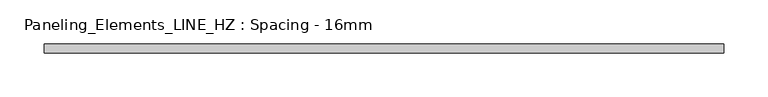
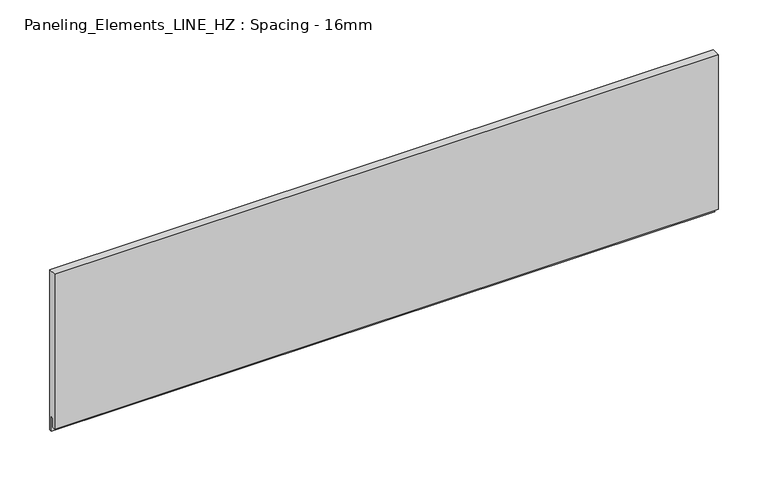
"""IFC4 building model written with IfcOpenShell, lengths in millimetres: plate geometry, Paneling_Elements_LINE_HZ : Spacing - 16mm."""

import ifcopenshell
import ifcopenshell.guid

model = None  # the IFC model being written
_history = None  # IfcOwnerHistory: only IFC2X3 demands one
_inside = {}  # id of a spatial element -> (the spatial element, [elements in it])
_under = {}  # id of a project, library or spatial element -> (it, [spatial elements below it])
_declared = {}  # id of a project -> (the project, [libraries it declares])
_typed = {}  # id of a type object -> (the type object, [elements of that type])
_made_of = {}  # id of a material, layer set ... -> (it, [elements and type objects made of it])


def new_model(schema):
    """Start an empty IFC model of exactly this schema.

    Asked for "IFC4X3", IfcOpenShell would pick the latest addendum, in which some entities
    have other attributes; the version numbers below select the first issue.
    IFC2X3 requires an IfcOwnerHistory on every rooted entity: one is made here for all.
    """
    global model, _history
    if schema == "IFC4X3":
        model = ifcopenshell.file(schema_version=(4, 3, 0, 0))
    else:
        model = ifcopenshell.file(schema=schema)
    _inside.clear()
    _under.clear()
    _declared.clear()
    _typed.clear()
    _made_of.clear()
    _history = None
    if model.schema == "IFC2X3":
        org = make("IfcOrganization", Name="unknown")
        user = make(
            "IfcPersonAndOrganization",
            ThePerson=make("IfcPerson", FamilyName="unknown"),
            TheOrganization=org,
        )
        app = make(
            "IfcApplication",
            ApplicationDeveloper=org,
            Version="unknown",
            ApplicationFullName="unknown",
            ApplicationIdentifier="unknown",
        )
        _history = make(
            "IfcOwnerHistory",
            OwningUser=user,
            OwningApplication=app,
            ChangeAction="ADDED",
            CreationDate=0,
        )
    return model


def make(cls, **values):
    """One entity of the class cls with the attributes given. An attribute that is None is left unset."""
    return model.create_entity(
        cls, **{name: value for name, value in values.items() if value is not None}
    )


def rooted(cls, **values):
    """An entity with a GlobalId (a new one), such as an element, a storey or a relation."""
    return make(cls, GlobalId=ifcopenshell.guid.new(), OwnerHistory=_history, **values)


def si_unit(unit_type, name, prefix=None):
    """IfcSIUnit, for example si_unit("LENGTHUNIT", "METRE", prefix="MILLI")."""
    return make("IfcSIUnit", UnitType=unit_type, Prefix=prefix, Name=name)


def assignment(units):
    """IfcUnitAssignment: the units of a project."""
    return None if units is None else make("IfcUnitAssignment", Units=units)


def point(xyz):
    """IfcCartesianPoint."""
    return None if xyz is None else make("IfcCartesianPoint", Coordinates=xyz)


def direction(xyz):
    """IfcDirection."""
    return None if xyz is None else make("IfcDirection", DirectionRatios=xyz)


def frame(location, z_axis=None, x_axis=None):
    """IfcAxis2Placement3D, a coordinate frame: its origin and axes. An axis left out is left unset."""
    return make(
        "IfcAxis2Placement3D",
        Location=point(location),
        Axis=direction(z_axis),
        RefDirection=direction(x_axis),
    )


def origin():
    """The frame at (0, 0, 0) with its axes left unset."""
    return frame((0.0, 0.0, 0.0))


def place(relative_to, where):
    """IfcLocalPlacement: puts the frame where relative to a parent placement (None: the world)."""
    return make(
        "IfcLocalPlacement", PlacementRelTo=relative_to, RelativePlacement=where
    )


def context(
    kind, dimensions, precision=None, world=None, true_north=None, identifier=None
):
    """IfcGeometricRepresentationContext, for example the 3D "Model" context."""
    return make(
        "IfcGeometricRepresentationContext",
        ContextIdentifier=identifier,
        ContextType=kind,
        CoordinateSpaceDimension=dimensions,
        Precision=precision,
        WorldCoordinateSystem=world,
        TrueNorth=true_north,
    )


def project(units=None, contexts=None):
    """IfcProject with its units and contexts."""
    return rooted(
        "IfcProject",
        Name="project",
        RepresentationContexts=contexts,
        UnitsInContext=assignment(units),
    )


def spatial(cls, under=None, at=None, **own):
    """A site, building, storey or space (cls), placed at a placement, below another one or the project."""
    s = rooted(cls, ObjectPlacement=at, **own)
    if under is not None:
        _under.setdefault(under.id(), (under, []))[1].append(s)
    return s


def polyline(points):
    """IfcPolyline through the points."""
    return make("IfcPolyline", Points=[point(p) for p in points])


def outline(outer, holes=None, kind="AREA"):
    """IfcArbitraryClosedProfileDef: a profile drawn as a closed curve; with holes, ...WithVoids."""
    if holes is None:
        return make("IfcArbitraryClosedProfileDef", ProfileType=kind, OuterCurve=outer)
    return make(
        "IfcArbitraryProfileDefWithVoids",
        ProfileType=kind,
        OuterCurve=outer,
        InnerCurves=holes,
    )


def extrude(swept, where, along, depth):
    """IfcExtrudedAreaSolid: the profile swept, set in the frame where, extruded along a direction by depth."""
    return make(
        "IfcExtrudedAreaSolid",
        SweptArea=swept,
        Position=where,
        ExtrudedDirection=direction(along),
        Depth=depth,
    )


def shape(context_of_items, identifier, shape_type, items):
    """IfcShapeRepresentation: the items that make up one representation, for example the "Body"."""
    return make(
        "IfcShapeRepresentation",
        ContextOfItems=context_of_items,
        RepresentationIdentifier=identifier,
        RepresentationType=shape_type,
        Items=items,
    )


def source(mapping_origin, context_of_items, identifier, shape_type, items):
    """IfcRepresentationMap: a shape defined once, which mapped items show again and again."""
    return make(
        "IfcRepresentationMap",
        MappingOrigin=mapping_origin,
        MappedRepresentation=shape(context_of_items, identifier, shape_type, items),
    )


def transform(
    local_origin,
    x_axis=None,
    y_axis=None,
    z_axis=None,
    scale=None,
    scale2=None,
    scale3=None,
    uniform=True,
):
    """IfcCartesianTransformationOperator3D, or its non-uniform kind. x_axis, y_axis, z_axis: its Axis1, 2, 3."""
    if uniform:
        return make(
            "IfcCartesianTransformationOperator3D",
            Axis1=direction(x_axis),
            Axis2=direction(y_axis),
            LocalOrigin=point(local_origin),
            Scale=scale,
            Axis3=direction(z_axis),
        )
    return make(
        "IfcCartesianTransformationOperator3DnonUniform",
        Axis1=direction(x_axis),
        Axis2=direction(y_axis),
        LocalOrigin=point(local_origin),
        Scale=scale,
        Axis3=direction(z_axis),
        Scale2=scale2,
        Scale3=scale3,
    )


def mapped(mapping_source, mapping_target):
    """IfcMappedItem: shows the shape of a source again, moved by a transform."""
    return make(
        "IfcMappedItem", MappingSource=mapping_source, MappingTarget=mapping_target
    )


def made_of(thing, what):
    """Note that an element or type object is made of a material, layer set ...; save() writes the relation."""
    if what is not None:
        _made_of.setdefault(what.id(), (what, []))[1].append(thing)
    return thing


def element(
    cls,
    number,
    at=None,
    inside=None,
    cuts=None,
    type_object=None,
    material=None,
    context=None,
    identifier="Body",
    shape_type=None,
    held_by="IfcProductDefinitionShape",
    body=None,
    shapes=None,
    **own,
):
    """One element of the class cls, such as IfcWall. Its Tag is "e" and its number.

    at: its placement. inside: the storey or other place that contains it. cuts: it is an
    opening in that element (IfcRelVoidsElement). A single representation is given by context,
    identifier, shape_type and body (its items); several are given by shapes. held_by: the class
    of the entity that holds the representations. save() writes the other relations.
    """
    e = rooted(cls, Tag="e%d" % number, ObjectPlacement=at, **own)
    if body is not None:
        shapes = [shape(context, identifier, shape_type, body)]
    if shapes is not None:
        e.Representation = make(held_by, Representations=shapes)
    if inside is not None:
        _inside.setdefault(inside.id(), (inside, []))[1].append(e)
    if cuts is not None:
        rooted(
            "IfcRelVoidsElement", RelatingBuildingElement=cuts, RelatedOpeningElement=e
        )
    if type_object is not None:
        _typed.setdefault(type_object.id(), (type_object, []))[1].append(e)
    return made_of(e, material)


def aggregate(whole, parts):
    """IfcRelAggregates: a whole, such as a stair, and the parts it consists of."""
    return rooted("IfcRelAggregates", RelatingObject=whole, RelatedObjects=parts)


def save(model, path):
    """Write the relations noted so far, then the file.

    IfcRelAggregates (storeys below a building ...), IfcRelContainedInSpatialStructure (elements
    in a storey), IfcRelDefinesByType, IfcRelAssociatesMaterial and IfcRelDeclares: one each for
    every whole, place, type object, material and project.
    """
    for whole, parts in _under.values():
        aggregate(whole, parts)
    for where, things in _inside.values():
        rooted(
            "IfcRelContainedInSpatialStructure",
            RelatedElements=things,
            RelatingStructure=where,
        )
    for kind, things in _typed.values():
        rooted("IfcRelDefinesByType", RelatedObjects=things, RelatingType=kind)
    for what, things in _made_of.values():
        rooted("IfcRelAssociatesMaterial", RelatedObjects=things, RelatingMaterial=what)
    for by, libraries in _declared.values():
        rooted("IfcRelDeclares", RelatingContext=by, RelatedDefinitions=libraries)
    model.write(path)


def paneling_elements_line_hz_spacing_16mm_0ba3f0e3(model_context):
    return source(origin(), model_context, "Body", "SweptSolid", [
        extrude(outline(polyline([(5.0, 189.0), (5.0, -7.0), (2.0, -7.0), (2.0, 11.0), (-1.0, 11.0), (-1.0, 0.0), (-5.0, 0.0), (-5.0, 189.0), (5.0, 189.0)])), frame((-383.4, 0.0, 0.0), z_axis=(1.0, 0.0, 0.0), x_axis=(0.0, 1.0, 0.0)), (0.0, 0.0, 1.0), 766.8),
    ])


if __name__ == "__main__":
    model = new_model("IFC4")
    model_context = context("Model", 3, world=origin())
    ifc_project = project(units=[si_unit("LENGTHUNIT", "METRE", prefix="MILLI")], contexts=[model_context])
    site = spatial("IfcSite", under=ifc_project)
    building = spatial("IfcBuilding", under=site)
    placement = place(None, origin())
    paneling_elements_line_hz_spacing_16mm_shape = paneling_elements_line_hz_spacing_16mm_0ba3f0e3(model_context)
    element("IfcPlate", 1, ObjectType="Paneling_Elements_LINE_HZ : Spacing - 16mm", at=placement, inside=building, context=model_context, shape_type="MappedRepresentation", body=[
        mapped(paneling_elements_line_hz_spacing_16mm_shape, transform((0.0, 0.0, 0.0), x_axis=(1.0, 0.0, 0.0), y_axis=(0.0, 1.0, 0.0), z_axis=(0.0, 0.0, 1.0))),
    ])
    save(model, "model.ifc")
